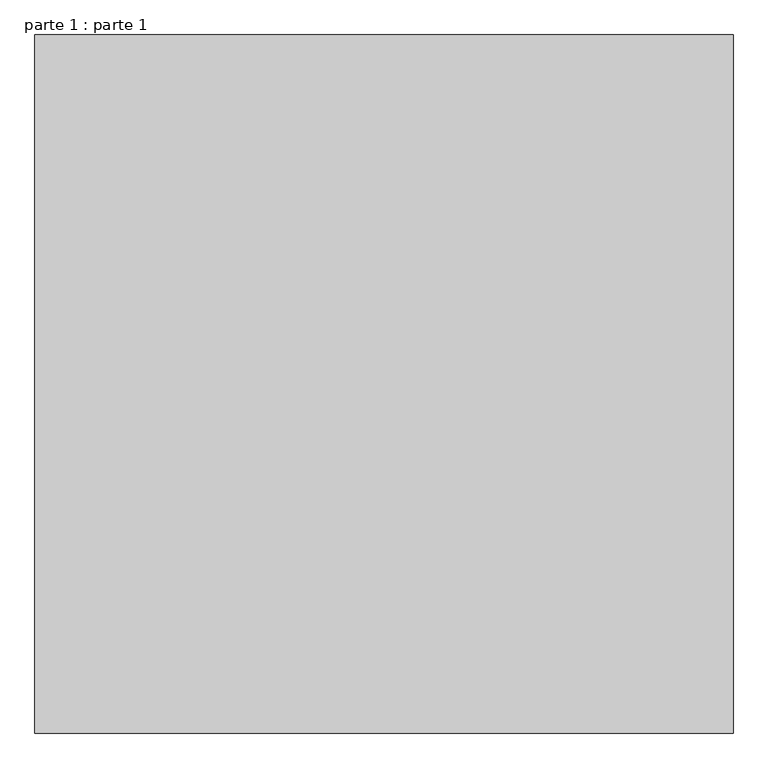
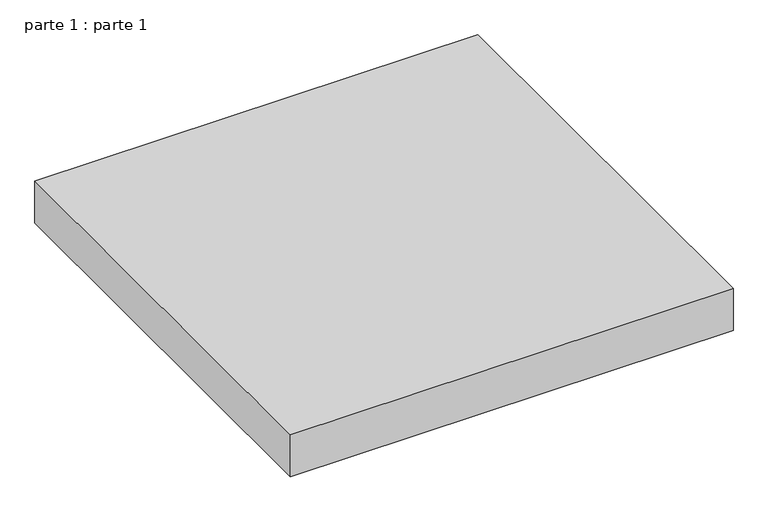
"""IFC4 building model written with IfcOpenShell, lengths in millimetres: proxy geometry, parte 1 : parte 1."""

from ifc_helpers import new_model, si_unit, frame, origin, place, context, project, spatial, polyline, outline, extrude, source, transform, mapped, element, save


def parte_1_parte_1_660ceb5e(model_context):
    return source(origin(), model_context, "Body", "SweptSolid", [
        extrude(outline(polyline([(1000.0, 1000.0), (1000.0, 0.0), (0.0, 0.0), (0.0, 1000.0), (1000.0, 1000.0)])), frame((0.0, 0.0, 100.0), z_axis=(0.0, 0.0, 1.0), x_axis=(1.0, 0.0, 0.0)), (0.0, 0.0, 1.0), 100.0),
        extrude(outline(polyline([(1000.0, 0.0), (0.0, 0.0), (0.0, 1000.0), (1000.0, 1000.0), (1000.0, 0.0)])), frame((0.0, 0.0, 100.0), z_axis=(0.0, 0.0, 1.0), x_axis=(1.0, 0.0, 0.0)), (0.0, 0.0, 1.0), 100.0),
    ])


if __name__ == "__main__":
    model = new_model("IFC4")
    model_context = context("Model", 3, world=origin())
    ifc_project = project(units=[si_unit("LENGTHUNIT", "METRE", prefix="MILLI")], contexts=[model_context])
    site = spatial("IfcSite", under=ifc_project)
    building = spatial("IfcBuilding", under=site)
    placement = place(None, origin())
    parte_1_parte_1_shape = parte_1_parte_1_660ceb5e(model_context)
    element("IfcBuildingElementProxy", 1, Name="parte 1 : parte 1", ObjectType="parte 1 : parte 1", at=placement, inside=building, context=model_context, shape_type="MappedRepresentation", body=[
        mapped(parte_1_parte_1_shape, transform((0.0, 0.0, 0.0), x_axis=(1.0, 0.0, 0.0), y_axis=(0.0, 1.0, 0.0), z_axis=(0.0, 0.0, 1.0))),
    ])
    save(model, "model.ifc")
